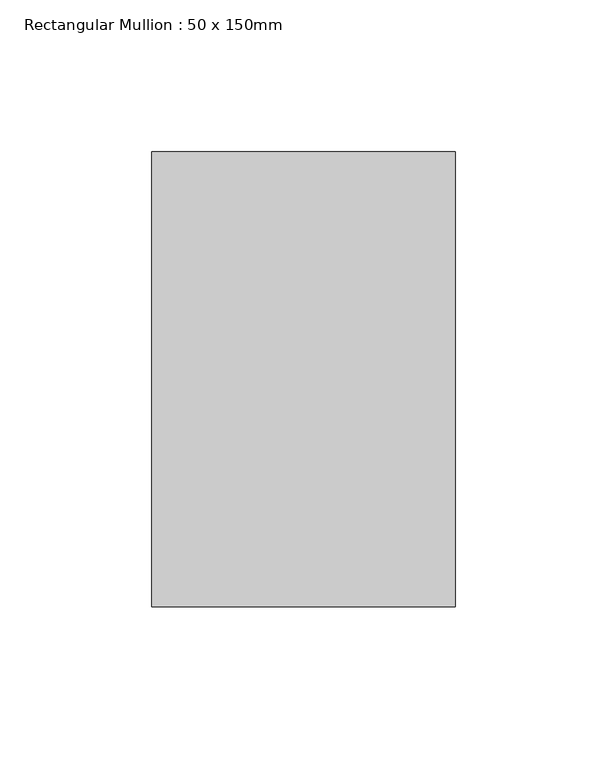
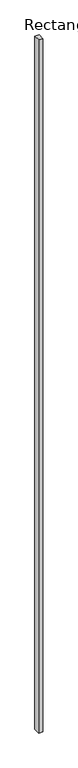
"""IFC4 building model written with IfcOpenShell, lengths in millimetres: member geometry, Rectangular Mullion : 50 x 150mm."""

from ifc_helpers import new_model, si_unit, frame, origin, place, context, project, spatial, polyline, outline, extrude, source, transform, mapped, element, save


def rectangular_mullion_50_x_150mm_bc97257e(model_context):
    return source(origin(), model_context, "Body", "SweptSolid", [
        extrude(outline(polyline([(0.0, 75.0), (0.0, -75.0), (-100.0, -75.0), (-100.0, 75.0), (0.0, 75.0)])), frame((0.0, 0.0, -17498.8306333), z_axis=(0.0, 0.0, 1.0), x_axis=(1.0, 0.0, 0.0)), (0.0, 0.0, 1.0), 17498.8306333),
    ])


if __name__ == "__main__":
    model = new_model("IFC4")
    model_context = context("Model", 3, world=origin())
    ifc_project = project(units=[si_unit("LENGTHUNIT", "METRE", prefix="MILLI")], contexts=[model_context])
    site = spatial("IfcSite", under=ifc_project)
    building = spatial("IfcBuilding", under=site)
    placement = place(None, origin())
    rectangular_mullion_50_x_150mm_shape = rectangular_mullion_50_x_150mm_bc97257e(model_context)
    element("IfcMember", 1, ObjectType="Rectangular Mullion : 50 x 150mm", at=placement, inside=building, context=model_context, shape_type="MappedRepresentation", body=[
        mapped(rectangular_mullion_50_x_150mm_shape, transform((0.0, 0.0, 0.0), x_axis=(1.0, 0.0, 0.0), y_axis=(0.0, 1.0, 0.0), z_axis=(0.0, 0.0, 1.0))),
    ])
    save(model, "model.ifc")
